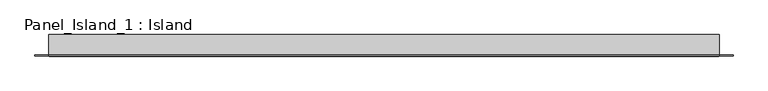
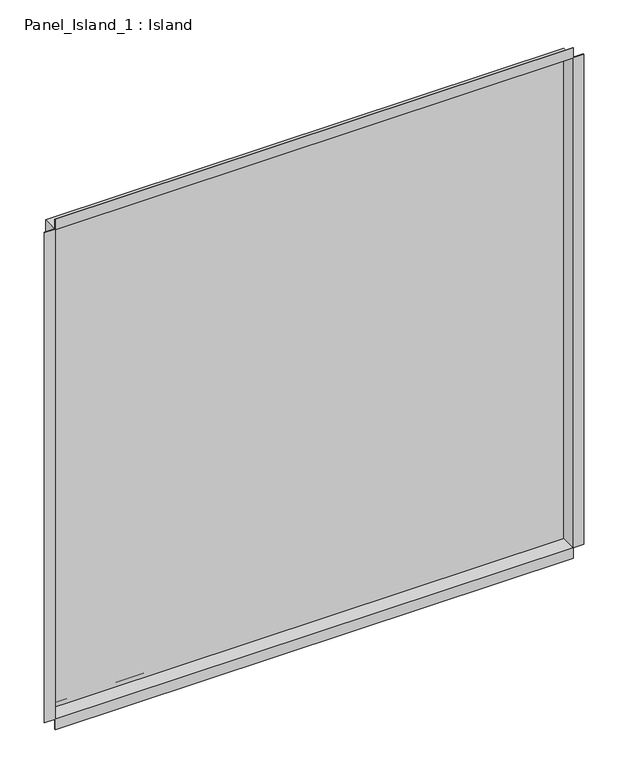
"""IFC4 building model written with IfcOpenShell, lengths in millimetres: plate geometry, Panel_Island_1 : Island."""

from ifc_helpers import new_model, si_unit, frame, origin, place, context, project, spatial, polyline, outline, extrude, faceted_brep, source, transform, mapped, element, save


def panel_island_1_island_ad75f40e(model_context):
    return source(origin(), model_context, "Body", "SolidModel", [
        faceted_brep([(498.3499915, 31.2, 998.6), (498.3499915, 0.0, 998.6), (-498.3499915, 0.0, 998.6), (-498.3499915, 31.2, 998.6), (489.1499915, 32.0, 989.4), (489.1499915, 31.2, 989.4), (-489.1499915, 31.2, 989.4), (-489.1499915, 32.0, 989.4), (499.1499915, 32.0, 999.4), (-499.1499915, 32.0, 999.4), (-499.1499915, 1.5, 999.4), (499.1499915, 1.5, 999.4), (-498.3499915, 0.0, 1.4), (-498.3499915, 31.2, 1.4), (-489.1499915, 31.2, 10.6), (-489.1499915, 32.0, 10.6), (-499.1499915, 32.0, 0.6), (-499.1499915, 1.5, 0.6), (-499.1499915, 1.5, 1019.4), (-499.1499915, 0.0, 999.4), (-499.1499915, 0.0, 1019.4), (498.3499915, 0.0, 1.4), (498.3499915, 31.2, 1.4), (489.1499915, 31.2, 10.6), (489.1499915, 32.0, 10.6), (499.1499915, 32.0, 0.6), (499.1499915, 1.5, 0.6), (519.7499915, 1.5, 0.6), (519.7499915, 0.0, 0.6), (499.1499915, 0.0, 0.6), (-519.7499915, 1.5, 0.6), (-499.1499915, 0.0, 0.6), (-519.7499915, 0.0, 0.6), (499.1499915, 0.0, 1019.4), (-519.7499915, 0.0, 999.4), (-499.1499915, 0.0, -20.0), (499.1499915, 0.0, -20.0), (519.7499915, 0.0, 999.4), (499.1499915, 0.0, 999.4), (499.1499915, 1.5, 1019.4), (519.7499915, 1.5, 999.4), (-519.7499915, 1.5, 999.4), (499.1499915, 1.5, -20.0), (-499.1499915, 1.5, -20.0)], [[[0, 1, 2, 3]], [[4, 5, 6, 7]], [[8, 9, 10, 11]], [[3, 2, 12, 13]], [[7, 6, 14, 15]], [[9, 16, 17, 10]], [[18, 10, 19, 20]], [[13, 12, 21, 22]], [[15, 14, 23, 24]], [[16, 25, 26, 17]], [[26, 27, 28, 29]], [[30, 17, 31, 32]], [[33, 20, 19, 34, 32, 31, 35, 36, 29, 28, 37, 38], [2, 1, 21, 12]], [[1, 0, 22, 21]], [[0, 3, 13, 22], [6, 5, 23, 14]], [[5, 4, 24, 23]], [[9, 8, 25, 16], [4, 7, 15, 24]], [[25, 8, 11, 26]], [[11, 39, 33, 38]], [[10, 18, 39, 11]], [[20, 33, 39, 18]], [[11, 40, 27, 26]], [[38, 37, 40, 11]], [[37, 28, 27, 40]], [[17, 30, 41, 10]], [[32, 34, 41, 30]], [[34, 19, 10, 41]], [[26, 42, 43, 17]], [[35, 31, 17, 43]], [[36, 35, 43, 42]], [[29, 36, 42, 26]]]),
        extrude(outline(polyline([(498.3499915, 30.2), (-498.3499915, 30.2), (-498.3499915, 31.2), (498.3499915, 31.2), (498.3499915, 30.2)])), frame((0.0, 0.0, 1.4), z_axis=(0.0, 0.0, 1.0), x_axis=(1.0, 0.0, 0.0)), (0.0, 0.0, 1.0), 997.2),
        extrude(outline(polyline([(489.1499915, 31.2), (-489.1499915, 31.2), (-489.1499915, 32.0), (489.1499915, 32.0), (489.1499915, 31.2)])), frame((0.0, 0.0, 10.6), z_axis=(0.0, 0.0, 1.0), x_axis=(1.0, 0.0, 0.0)), (0.0, 0.0, 1.0), 978.8),
    ])


if __name__ == "__main__":
    model = new_model("IFC4")
    model_context = context("Model", 3, world=origin())
    ifc_project = project(units=[si_unit("LENGTHUNIT", "METRE", prefix="MILLI")], contexts=[model_context])
    site = spatial("IfcSite", under=ifc_project)
    building = spatial("IfcBuilding", under=site)
    placement = place(None, origin())
    panel_island_1_island_shape = panel_island_1_island_ad75f40e(model_context)
    element("IfcPlate", 1, ObjectType="Panel_Island_1 : Island", at=placement, inside=building, context=model_context, shape_type="MappedRepresentation", body=[
        mapped(panel_island_1_island_shape, transform((0.0, 0.0, 0.0), x_axis=(1.0, 0.0, 0.0), y_axis=(0.0, 1.0, 0.0), z_axis=(0.0, 0.0, 1.0))),
    ])
    save(model, "model.ifc")
